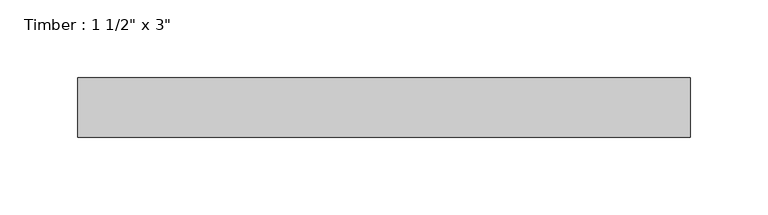
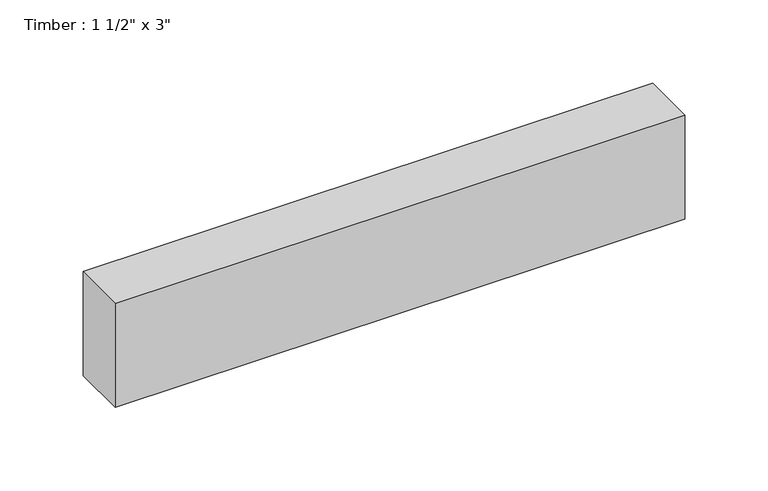
"""IFC4 building model written with IfcOpenShell, lengths in millimetres: beam geometry."""

from ifc_helpers import new_model, si_unit, frame, origin, place, context, project, spatial, polyline, outline, extrude, source, transform, mapped, element, save


def beam_96f00af5(model_context):
    return source(origin(), model_context, "Body", "SweptSolid", [
        extrude(outline(polyline([(196.8136386, 19.05), (196.8136386, -19.05), (-196.8136386, -19.05), (-196.8136386, 19.05), (196.8136386, 19.05)])), frame((0.0, 0.0, -38.1), z_axis=(0.0, 0.0, 1.0), x_axis=(1.0, 0.0, 0.0)), (0.0, 0.0, 1.0), 76.2),
    ])


if __name__ == "__main__":
    model = new_model("IFC4")
    model_context = context("Model", 3, world=origin())
    ifc_project = project(units=[si_unit("LENGTHUNIT", "METRE", prefix="MILLI")], contexts=[model_context])
    site = spatial("IfcSite", under=ifc_project)
    building = spatial("IfcBuilding", under=site)
    placement = place(None, origin())
    beam_shape = beam_96f00af5(model_context)
    element("IfcBeam", 1, ObjectType="Timber : 1 1/2\" x 3\"", at=placement, inside=building, context=model_context, shape_type="MappedRepresentation", body=[
        mapped(beam_shape, transform((0.0, 0.0, 0.0), x_axis=(1.0, 0.0, 0.0), y_axis=(0.0, 1.0, 0.0), z_axis=(0.0, 0.0, 1.0))),
    ])
    save(model, "model.ifc")
